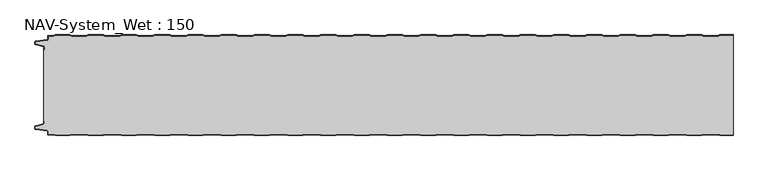
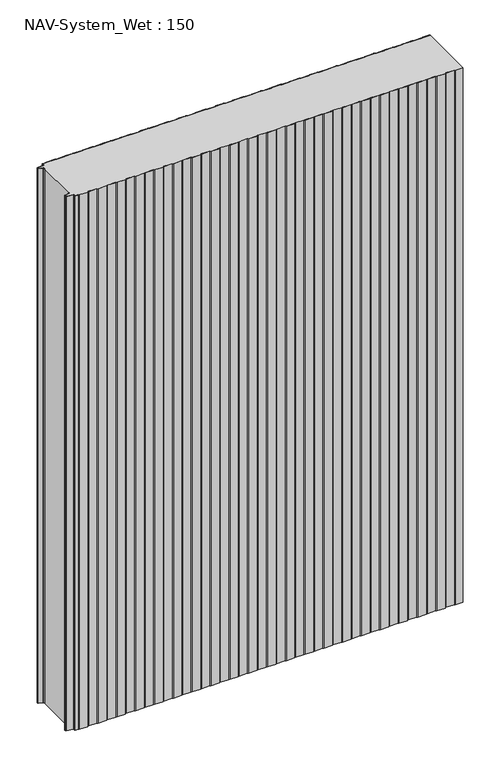
"""IFC4 building model written with IfcOpenShell, lengths in millimetres: plate geometry, NAV-System_Wet : 150."""

from ifc_helpers import new_model, si_unit, point, frame_2d, origin, origin_with_axes, place, context, project, spatial, polyline, circle_curve, trimmed, segment, composite_curve, outline, extrude, source, transform, mapped, element, save


def nav_system_wet_150_17a1cb52(model_context):
    return source(origin(), model_context, "Body", "SweptSolid", [
        extrude(outline(composite_curve([segment(polyline([(480.3684327, -0.8), (477.3684327, 0.2), (455.3684327, 0.2), (452.3684327, -0.8), (430.3684327, -0.8), (427.3684327, 0.2), (405.3684327, 0.2), (402.3684327, -0.8), (380.3684327, -0.8), (377.3684327, 0.2), (355.3684327, 0.2), (352.3684327, -0.8), (330.3684327, -0.8), (327.3684327, 0.2), (305.3684327, 0.2), (302.3684327, -0.8), (280.3684327, -0.8), (277.3684327, 0.2), (255.3684327, 0.2), (252.3684327, -0.8), (230.3684327, -0.8), (227.3684327, 0.2), (205.3684327, 0.2), (202.3684327, -0.8), (180.3684327, -0.8), (177.3684327, 0.2), (155.3684327, 0.2), (152.3684327, -0.8), (130.3684327, -0.8), (127.3684327, 0.2), (105.3684327, 0.2), (102.3684327, -0.8), (80.3684327, -0.8), (77.3684327, 0.2), (55.3684327, 0.2), (52.3684327, -0.8), (30.3684327, -0.8), (27.3684327, 0.2), (5.3684327, 0.2), (2.3684327, -0.8), (-19.6315673, -0.8), (-22.6315673, 0.2), (-44.6315673, 0.2), (-47.6315673, -0.8), (-69.6315673, -0.8), (-72.6315673, 0.2), (-94.6315673, 0.2), (-97.6315673, -0.8), (-119.6315673, -0.8), (-122.6315673, 0.2), (-144.6315673, 0.2), (-147.6315673, -0.8), (-169.6315673, -0.8), (-172.6315673, 0.2), (-194.6315673, 0.2), (-197.6315673, -0.8), (-219.6315673, -0.8), (-222.6315673, 0.2), (-244.6315673, 0.2), (-247.6315673, -0.8), (-269.6315673, -0.8), (-272.6315673, 0.2), (-294.6315673, 0.2), (-297.6315673, -0.8), (-319.6315673, -0.8), (-322.6315673, 0.2), (-344.6315673, 0.2), (-347.6315673, -0.8), (-369.6315673, -0.8), (-372.6315673, 0.2), (-394.6315673, 0.2), (-397.6315673, -0.8), (-419.6315673, -0.8), (-422.6315673, 0.2), (-444.6315673, 0.2), (-447.6315673, -0.8), (-469.6315673, -0.8), (-472.6315673, 0.2), (-494.6315673, 0.2), (-497.6315673, -0.8), (-504.7, -0.8)]), True, "CONTINUOUS"), segment(trimmed(circle_curve(frame_2d((-504.7, -1.3)), 0.5), [point((-504.7, -0.8))], [point((-505.2, -1.3))], True, "CARTESIAN"), True, "CONTINUOUS"), segment(polyline([(-505.2, -1.3), (-505.2, -5.3964683)]), True, "CONTINUOUS"), segment(trimmed(circle_curve(frame_2d((-506.7, -5.3964683)), 1.5), [point((-505.2, -5.3964683))], [point((-506.4911207, -6.8818536))], False, "CARTESIAN"), True, "CONTINUOUS"), segment(polyline([(-506.4911207, -6.8818536), (-523.4352183, -9.2645825)]), True, "CONTINUOUS"), segment(trimmed(circle_curve(frame_2d((-523.3114909, -10.1444347)), 0.8885091), [point((-523.4352183, -9.2645825))], [point((-524.2, -10.1444347))], True, "CARTESIAN"), True, "CONTINUOUS"), segment(polyline([(-524.2, -10.1444347), (-524.2, -12.46995)]), True, "CONTINUOUS"), segment(trimmed(circle_curve(frame_2d((-523.6, -12.46995)), 0.6), [point((-524.2, -12.46995))], [point((-523.7552914, -13.0495055))], True, "CARTESIAN"), True, "CONTINUOUS"), segment(polyline([(-523.7552914, -13.0495055), (-512.3785632, -16.0978907)]), True, "CONTINUOUS"), segment(trimmed(circle_curve(frame_2d((-512.7667917, -17.5467794)), 1.5), [point((-512.3785632, -16.0978907))], [point((-511.2667917, -17.5467794))], False, "CARTESIAN"), True, "CONTINUOUS"), segment(polyline([(-511.2667917, -17.5467794), (-511.2667917, -21.0096505), (-512.0667917, -21.0096505), (-512.0667917, -17.5467794)]), True, "CONTINUOUS"), segment(trimmed(circle_curve(frame_2d((-512.7667917, -17.5467794)), 0.7), [point((-512.0667917, -17.5467794))], [point((-512.5856184, -16.8706313))], True, "CARTESIAN"), True, "CONTINUOUS"), segment(polyline([(-512.5856184, -16.8706313), (-524.0364648, -13.8023863)]), True, "CONTINUOUS"), segment(trimmed(circle_curve(frame_2d((-523.7, -12.5466827)), 1.3), [point((-524.0364648, -13.8023863))], [point((-525.0, -12.5466827))], False, "CARTESIAN"), True, "CONTINUOUS"), segment(polyline([(-525.0, -12.5466827), (-525.0, -9.8067363)]), True, "CONTINUOUS"), segment(trimmed(circle_curve(frame_2d((-523.7, -9.8067363)), 1.3), [point((-525.0, -9.8067363))], [point((-523.8810287, -8.5194024))], False, "CARTESIAN"), True, "CONTINUOUS"), segment(polyline([(-523.8810287, -8.5194024), (-506.602523, -6.0896481)]), True, "CONTINUOUS"), segment(trimmed(circle_curve(frame_2d((-506.7, -5.3964683)), 0.7), [point((-506.602523, -6.0896481))], [point((-506.0, -5.3964683))], True, "CARTESIAN"), True, "CONTINUOUS"), segment(polyline([(-506.0, -5.3964683), (-506.0, -1.3)]), True, "CONTINUOUS"), segment(trimmed(circle_curve(frame_2d((-504.7, -1.3)), 1.3), [point((-506.0, -1.3))], [point((-504.7, 0.0))], False, "CARTESIAN"), True, "CONTINUOUS"), segment(polyline([(-504.7, 0.0), (-497.7613895, 0.0), (-494.7613895, 1.0), (-472.5017452, 1.0), (-469.5017452, 0.0), (-447.7613895, 0.0), (-444.7613895, 1.0), (-422.5017452, 1.0), (-419.5017452, 0.0), (-397.7613895, 0.0), (-394.7613895, 1.0), (-372.5017452, 1.0), (-369.5017452, 0.0), (-347.7613895, 0.0), (-344.7613895, 1.0), (-322.5017452, 1.0), (-319.5017452, 0.0), (-297.7613895, 0.0), (-294.7613895, 1.0), (-272.5017452, 1.0), (-269.5017452, 0.0), (-247.7613895, 0.0), (-244.7613895, 1.0), (-222.5017452, 1.0), (-219.5017452, 0.0), (-197.7613895, 0.0), (-194.7613895, 1.0), (-172.5017452, 1.0), (-169.5017452, 0.0), (-147.7613895, 0.0), (-144.7613895, 1.0), (-122.5017452, 1.0), (-119.5017452, 0.0), (-97.7613895, 0.0), (-94.7613895, 1.0), (-72.5017452, 1.0), (-69.5017452, 0.0), (-47.7613895, 0.0), (-44.7613895, 1.0), (-22.5017452, 1.0), (-19.5017452, 0.0), (2.2386105, 0.0), (5.2386105, 1.0), (27.4982548, 1.0), (30.4982548, 0.0), (52.2386105, 0.0), (55.2386105, 1.0), (77.4982548, 1.0), (80.4982548, 0.0), (102.2386105, 0.0), (105.2386105, 1.0), (127.4982548, 1.0), (130.4982548, 0.0), (152.2386105, 0.0), (155.2386105, 1.0), (177.4982548, 1.0), (180.4982548, 0.0), (202.2386105, 0.0), (205.2386105, 1.0), (227.4982548, 1.0), (230.4982548, 0.0), (252.2386105, 0.0), (255.2386105, 1.0), (277.4982548, 1.0), (280.4982548, 0.0), (302.2386105, 0.0), (305.2386105, 1.0), (327.4982548, 1.0), (330.4982548, 0.0), (352.2386105, 0.0), (355.2386105, 1.0), (377.4982548, 1.0), (380.4982548, 0.0), (402.2386105, 0.0), (405.2386105, 1.0), (427.4982548, 1.0), (430.4982548, 0.0), (452.2386105, 0.0), (455.2386105, 1.0), (477.4982548, 1.0), (480.4982548, 0.0), (502.2386105, 0.0), (505.2386105, 1.0), (525.0, 1.0), (525.0, 0.2), (505.3684327, 0.2), (502.3684327, -0.8), (480.3684327, -0.8)]), True, "CONTINUOUS")], self_intersect=False)), origin_with_axes(), (0.0, 0.0, 1.0), 1500.0),
        extrude(outline(composite_curve([segment(polyline([(480.3684327, -0.8), (502.3684327, -0.8), (505.3684327, 0.2), (525.0, 0.2), (525.0, -150.2), (505.3684327, -150.2), (502.3684327, -149.2), (480.3684327, -149.2), (477.3684327, -150.2), (455.3684327, -150.2), (452.3684327, -149.2), (430.3684327, -149.2), (427.3684327, -150.2), (405.3684327, -150.2), (402.3684327, -149.2), (380.3684327, -149.2), (377.3684327, -150.2), (355.3684327, -150.2), (352.3684327, -149.2), (330.3684327, -149.2), (327.3684327, -150.2), (305.3684327, -150.2), (302.3684327, -149.2), (280.3684327, -149.2), (277.3684327, -150.2), (255.3684327, -150.2), (252.3684327, -149.2), (230.3684327, -149.2), (227.3684327, -150.2), (205.3684327, -150.2), (202.3684327, -149.2), (180.3684327, -149.2), (177.3684327, -150.2), (155.3684327, -150.2), (152.3684327, -149.2), (130.3684327, -149.2), (127.3684327, -150.2), (105.3684327, -150.2), (102.3684327, -149.2), (80.3684327, -149.2), (77.3684327, -150.2), (55.3684327, -150.2), (52.3684327, -149.2), (30.3684327, -149.2), (27.3684327, -150.2), (5.3684327, -150.2), (2.3684327, -149.2), (-19.6315673, -149.2), (-22.6315673, -150.2), (-44.6315673, -150.2), (-47.6315673, -149.2), (-69.6315673, -149.2), (-72.6315673, -150.2), (-94.6315673, -150.2), (-97.6315673, -149.2), (-119.6315673, -149.2), (-122.6315673, -150.2), (-144.6315673, -150.2), (-147.6315673, -149.2), (-169.6315673, -149.2), (-172.6315673, -150.2), (-194.6315673, -150.2), (-197.6315673, -149.2), (-219.6315673, -149.2), (-222.6315673, -150.2), (-244.6315673, -150.2), (-247.6315673, -149.2), (-269.6315673, -149.2), (-272.6315673, -150.2), (-294.6315673, -150.2), (-297.6315673, -149.2), (-319.6315673, -149.2), (-322.6315673, -150.2), (-344.6315673, -150.2), (-347.6315673, -149.2), (-369.6315673, -149.2), (-372.6315673, -150.2), (-394.6315673, -150.2), (-397.6315673, -149.2), (-419.6315673, -149.2), (-422.6315673, -150.2), (-444.6315673, -150.2), (-447.6315673, -149.2), (-469.6315673, -149.2), (-472.6315673, -150.2), (-494.6315673, -150.2), (-497.6315673, -149.2), (-504.7, -149.2)]), True, "CONTINUOUS"), segment(trimmed(circle_curve(frame_2d((-504.7, -148.7)), 0.5), [point((-504.7, -149.2))], [point((-505.2, -148.7))], False, "CARTESIAN"), True, "CONTINUOUS"), segment(polyline([(-505.2, -148.7), (-505.2, -144.6035317)]), True, "CONTINUOUS"), segment(trimmed(circle_curve(frame_2d((-506.7, -144.6035317)), 1.5), [point((-505.2, -144.6035317))], [point((-506.4911207, -143.1181464))], True, "CARTESIAN"), True, "CONTINUOUS"), segment(polyline([(-506.4911207, -143.1181464), (-523.4352183, -140.7354175)]), True, "CONTINUOUS"), segment(trimmed(circle_curve(frame_2d((-523.3114909, -139.8555653)), 0.8885091), [point((-523.4352183, -140.7354175))], [point((-524.2, -139.8555653))], False, "CARTESIAN"), True, "CONTINUOUS"), segment(polyline([(-524.2, -139.8555653), (-524.2, -137.53005)]), True, "CONTINUOUS"), segment(trimmed(circle_curve(frame_2d((-523.6, -137.53005)), 0.6), [point((-524.2, -137.53005))], [point((-523.7552914, -136.9504945))], False, "CARTESIAN"), True, "CONTINUOUS"), segment(polyline([(-523.7552914, -136.9504945), (-512.3785632, -133.9021093)]), True, "CONTINUOUS"), segment(trimmed(circle_curve(frame_2d((-512.7667917, -132.4532206)), 1.5), [point((-512.3785632, -133.9021093))], [point((-511.2667917, -132.4532206))], True, "CARTESIAN"), True, "CONTINUOUS"), segment(polyline([(-511.2667917, -132.4532206), (-511.2667917, -128.9903495), (-512.0667917, -128.9903495), (-512.0667917, -21.0096505), (-511.2667917, -21.0096505), (-511.2667917, -17.5467794)]), True, "CONTINUOUS"), segment(trimmed(circle_curve(frame_2d((-512.7667917, -17.5467794)), 1.5), [point((-511.2667917, -17.5467794))], [point((-512.3785632, -16.0978907))], True, "CARTESIAN"), True, "CONTINUOUS"), segment(polyline([(-512.3785632, -16.0978907), (-523.7552914, -13.0495055)]), True, "CONTINUOUS"), segment(trimmed(circle_curve(frame_2d((-523.6, -12.46995)), 0.6), [point((-523.7552914, -13.0495055))], [point((-524.2, -12.46995))], False, "CARTESIAN"), True, "CONTINUOUS"), segment(polyline([(-524.2, -12.46995), (-524.2, -10.1444347)]), True, "CONTINUOUS"), segment(trimmed(circle_curve(frame_2d((-523.3114909, -10.1444347)), 0.8885091), [point((-524.2, -10.1444347))], [point((-523.4352183, -9.2645825))], False, "CARTESIAN"), True, "CONTINUOUS"), segment(polyline([(-523.4352183, -9.2645825), (-506.4911207, -6.8818536)]), True, "CONTINUOUS"), segment(trimmed(circle_curve(frame_2d((-506.7, -5.3964683)), 1.5), [point((-506.4911207, -6.8818536))], [point((-505.2, -5.3964683))], True, "CARTESIAN"), True, "CONTINUOUS"), segment(polyline([(-505.2, -5.3964683), (-505.2, -1.3)]), True, "CONTINUOUS"), segment(trimmed(circle_curve(frame_2d((-504.7, -1.3)), 0.5), [point((-505.2, -1.3))], [point((-504.7, -0.8))], False, "CARTESIAN"), True, "CONTINUOUS"), segment(polyline([(-504.7, -0.8), (-497.6315673, -0.8), (-494.6315673, 0.2), (-472.6315673, 0.2), (-469.6315673, -0.8), (-447.6315673, -0.8), (-444.6315673, 0.2), (-422.6315673, 0.2), (-419.6315673, -0.8), (-397.6315673, -0.8), (-394.6315673, 0.2), (-372.6315673, 0.2), (-369.6315673, -0.8), (-347.6315673, -0.8), (-344.6315673, 0.2), (-322.6315673, 0.2), (-319.6315673, -0.8), (-297.6315673, -0.8), (-294.6315673, 0.2), (-272.6315673, 0.2), (-269.6315673, -0.8), (-247.6315673, -0.8), (-244.6315673, 0.2), (-222.6315673, 0.2), (-219.6315673, -0.8), (-197.6315673, -0.8), (-194.6315673, 0.2), (-172.6315673, 0.2), (-169.6315673, -0.8), (-147.6315673, -0.8), (-144.6315673, 0.2), (-122.6315673, 0.2), (-119.6315673, -0.8), (-97.6315673, -0.8), (-94.6315673, 0.2), (-72.6315673, 0.2), (-69.6315673, -0.8), (-47.6315673, -0.8), (-44.6315673, 0.2), (-22.6315673, 0.2), (-19.6315673, -0.8), (2.3684327, -0.8), (5.3684327, 0.2), (27.3684327, 0.2), (30.3684327, -0.8), (52.3684327, -0.8), (55.3684327, 0.2), (77.3684327, 0.2), (80.3684327, -0.8), (102.3684327, -0.8), (105.3684327, 0.2), (127.3684327, 0.2), (130.3684327, -0.8), (152.3684327, -0.8), (155.3684327, 0.2), (177.3684327, 0.2), (180.3684327, -0.8), (202.3684327, -0.8), (205.3684327, 0.2), (227.3684327, 0.2), (230.3684327, -0.8), (252.3684327, -0.8), (255.3684327, 0.2), (277.3684327, 0.2), (280.3684327, -0.8), (302.3684327, -0.8), (305.3684327, 0.2), (327.3684327, 0.2), (330.3684327, -0.8), (352.3684327, -0.8), (355.3684327, 0.2), (377.3684327, 0.2), (380.3684327, -0.8), (402.3684327, -0.8), (405.3684327, 0.2), (427.3684327, 0.2), (430.3684327, -0.8), (452.3684327, -0.8), (455.3684327, 0.2), (477.3684327, 0.2), (480.3684327, -0.8)]), True, "CONTINUOUS")], self_intersect=False)), origin_with_axes(), (0.0, 0.0, 1.0), 1500.0),
        extrude(outline(composite_curve([segment(polyline([(480.3684327, -149.2), (502.3684327, -149.2), (505.3684327, -150.2), (525.0, -150.2), (525.0, -151.0), (505.2386105, -151.0), (502.2386105, -150.0), (480.4982548, -150.0), (477.4982548, -151.0), (455.2386105, -151.0), (452.2386105, -150.0), (430.4982548, -150.0), (427.4982548, -151.0), (405.2386105, -151.0), (402.2386105, -150.0), (380.4982548, -150.0), (377.4982548, -151.0), (355.2386105, -151.0), (352.2386105, -150.0), (330.4982548, -150.0), (327.4982548, -151.0), (305.2386105, -151.0), (302.2386105, -150.0), (280.4982548, -150.0), (277.4982548, -151.0), (255.2386105, -151.0), (252.2386105, -150.0), (230.4982548, -150.0), (227.4982548, -151.0), (205.2386105, -151.0), (202.2386105, -150.0), (180.4982548, -150.0), (177.4982548, -151.0), (155.2386105, -151.0), (152.2386105, -150.0), (130.4982548, -150.0), (127.4982548, -151.0), (105.2386105, -151.0), (102.2386105, -150.0), (80.4982548, -150.0), (77.4982548, -151.0), (55.2386105, -151.0), (52.2386105, -150.0), (30.4982548, -150.0), (27.4982548, -151.0), (5.2386105, -151.0), (2.2386105, -150.0), (-19.5017452, -150.0), (-22.5017452, -151.0), (-44.7613895, -151.0), (-47.7613895, -150.0), (-69.5017452, -150.0), (-72.5017452, -151.0), (-94.7613895, -151.0), (-97.7613895, -150.0), (-119.5017452, -150.0), (-122.5017452, -151.0), (-144.7613895, -151.0), (-147.7613895, -150.0), (-169.5017452, -150.0), (-172.5017452, -151.0), (-194.7613895, -151.0), (-197.7613895, -150.0), (-219.5017452, -150.0), (-222.5017452, -151.0), (-244.7613895, -151.0), (-247.7613895, -150.0), (-269.5017452, -150.0), (-272.5017452, -151.0), (-294.7613895, -151.0), (-297.7613895, -150.0), (-319.5017452, -150.0), (-322.5017452, -151.0), (-344.7613895, -151.0), (-347.7613895, -150.0), (-369.5017452, -150.0), (-372.5017452, -151.0), (-394.7613895, -151.0), (-397.7613895, -150.0), (-419.5017452, -150.0), (-422.5017452, -151.0), (-444.7613895, -151.0), (-447.7613895, -150.0), (-469.5017452, -150.0), (-472.5017452, -151.0), (-494.7613895, -151.0), (-497.7613895, -150.0), (-504.7, -150.0)]), True, "CONTINUOUS"), segment(trimmed(circle_curve(frame_2d((-504.7, -148.7)), 1.3), [point((-504.7, -150.0))], [point((-506.0, -148.7))], False, "CARTESIAN"), True, "CONTINUOUS"), segment(polyline([(-506.0, -148.7), (-506.0, -144.6035317)]), True, "CONTINUOUS"), segment(trimmed(circle_curve(frame_2d((-506.7, -144.6035317)), 0.7), [point((-506.0, -144.6035317))], [point((-506.602523, -143.9103519))], True, "CARTESIAN"), True, "CONTINUOUS"), segment(polyline([(-506.602523, -143.9103519), (-523.8810287, -141.4805976)]), True, "CONTINUOUS"), segment(trimmed(circle_curve(frame_2d((-523.7, -140.1932637)), 1.3), [point((-523.8810287, -141.4805976))], [point((-525.0, -140.1932637))], False, "CARTESIAN"), True, "CONTINUOUS"), segment(polyline([(-525.0, -140.1932637), (-525.0, -137.4533173)]), True, "CONTINUOUS"), segment(trimmed(circle_curve(frame_2d((-523.7, -137.4533173)), 1.3), [point((-525.0, -137.4533173))], [point((-524.0364648, -136.1976137))], False, "CARTESIAN"), True, "CONTINUOUS"), segment(polyline([(-524.0364648, -136.1976137), (-512.5856184, -133.1293687)]), True, "CONTINUOUS"), segment(trimmed(circle_curve(frame_2d((-512.7667917, -132.4532206)), 0.7), [point((-512.5856184, -133.1293687))], [point((-512.0667917, -132.4532206))], True, "CARTESIAN"), True, "CONTINUOUS"), segment(polyline([(-512.0667917, -132.4532206), (-512.0667917, -128.9903495), (-511.2667917, -128.9903495), (-511.2667917, -132.4532206)]), True, "CONTINUOUS"), segment(trimmed(circle_curve(frame_2d((-512.7667917, -132.4532206)), 1.5), [point((-511.2667917, -132.4532206))], [point((-512.3785632, -133.9021093))], False, "CARTESIAN"), True, "CONTINUOUS"), segment(polyline([(-512.3785632, -133.9021093), (-523.7552914, -136.9504945)]), True, "CONTINUOUS"), segment(trimmed(circle_curve(frame_2d((-523.6, -137.53005)), 0.6), [point((-523.7552914, -136.9504945))], [point((-524.2, -137.53005))], True, "CARTESIAN"), True, "CONTINUOUS"), segment(polyline([(-524.2, -137.53005), (-524.2, -139.8555653)]), True, "CONTINUOUS"), segment(trimmed(circle_curve(frame_2d((-523.3114909, -139.8555653)), 0.8885091), [point((-524.2, -139.8555653))], [point((-523.4352183, -140.7354175))], True, "CARTESIAN"), True, "CONTINUOUS"), segment(polyline([(-523.4352183, -140.7354175), (-506.4911207, -143.1181464)]), True, "CONTINUOUS"), segment(trimmed(circle_curve(frame_2d((-506.7, -144.6035317)), 1.5), [point((-506.4911207, -143.1181464))], [point((-505.2, -144.6035317))], False, "CARTESIAN"), True, "CONTINUOUS"), segment(polyline([(-505.2, -144.6035317), (-505.2, -148.7)]), True, "CONTINUOUS"), segment(trimmed(circle_curve(frame_2d((-504.7, -148.7)), 0.5), [point((-505.2, -148.7))], [point((-504.7, -149.2))], True, "CARTESIAN"), True, "CONTINUOUS"), segment(polyline([(-504.7, -149.2), (-497.6315673, -149.2), (-494.6315673, -150.2), (-472.6315673, -150.2), (-469.6315673, -149.2), (-447.6315673, -149.2), (-444.6315673, -150.2), (-422.6315673, -150.2), (-419.6315673, -149.2), (-397.6315673, -149.2), (-394.6315673, -150.2), (-372.6315673, -150.2), (-369.6315673, -149.2), (-347.6315673, -149.2), (-344.6315673, -150.2), (-322.6315673, -150.2), (-319.6315673, -149.2), (-297.6315673, -149.2), (-294.6315673, -150.2), (-272.6315673, -150.2), (-269.6315673, -149.2), (-247.6315673, -149.2), (-244.6315673, -150.2), (-222.6315673, -150.2), (-219.6315673, -149.2), (-197.6315673, -149.2), (-194.6315673, -150.2), (-172.6315673, -150.2), (-169.6315673, -149.2), (-147.6315673, -149.2), (-144.6315673, -150.2), (-122.6315673, -150.2), (-119.6315673, -149.2), (-97.6315673, -149.2), (-94.6315673, -150.2), (-72.6315673, -150.2), (-69.6315673, -149.2), (-47.6315673, -149.2), (-44.6315673, -150.2), (-22.6315673, -150.2), (-19.6315673, -149.2), (2.3684327, -149.2), (5.3684327, -150.2), (27.3684327, -150.2), (30.3684327, -149.2), (52.3684327, -149.2), (55.3684327, -150.2), (77.3684327, -150.2), (80.3684327, -149.2), (102.3684327, -149.2), (105.3684327, -150.2), (127.3684327, -150.2), (130.3684327, -149.2), (152.3684327, -149.2), (155.3684327, -150.2), (177.3684327, -150.2), (180.3684327, -149.2), (202.3684327, -149.2), (205.3684327, -150.2), (227.3684327, -150.2), (230.3684327, -149.2), (252.3684327, -149.2), (255.3684327, -150.2), (277.3684327, -150.2), (280.3684327, -149.2), (302.3684327, -149.2), (305.3684327, -150.2), (327.3684327, -150.2), (330.3684327, -149.2), (352.3684327, -149.2), (355.3684327, -150.2), (377.3684327, -150.2), (380.3684327, -149.2), (402.3684327, -149.2), (405.3684327, -150.2), (427.3684327, -150.2), (430.3684327, -149.2), (452.3684327, -149.2), (455.3684327, -150.2), (477.3684327, -150.2), (480.3684327, -149.2)]), True, "CONTINUOUS")], self_intersect=False)), origin_with_axes(), (0.0, 0.0, 1.0), 1500.0),
    ])


if __name__ == "__main__":
    model = new_model("IFC4")
    model_context = context("Model", 3, world=origin())
    ifc_project = project(units=[si_unit("LENGTHUNIT", "METRE", prefix="MILLI")], contexts=[model_context])
    site = spatial("IfcSite", under=ifc_project)
    building = spatial("IfcBuilding", under=site)
    placement = place(None, origin())
    nav_system_wet_150_shape = nav_system_wet_150_17a1cb52(model_context)
    element("IfcPlate", 1, ObjectType="NAV-System_Wet : 150", at=placement, inside=building, context=model_context, shape_type="MappedRepresentation", body=[
        mapped(nav_system_wet_150_shape, transform((0.0, 0.0, 0.0), x_axis=(1.0, 0.0, 0.0), y_axis=(0.0, 1.0, 0.0), z_axis=(0.0, 0.0, 1.0))),
    ])
    save(model, "model.ifc")
